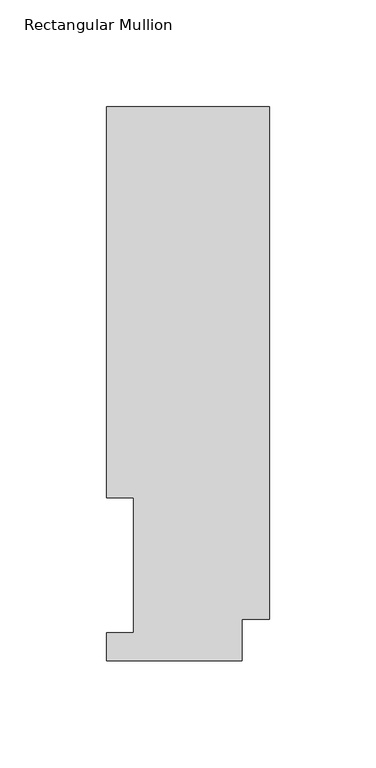
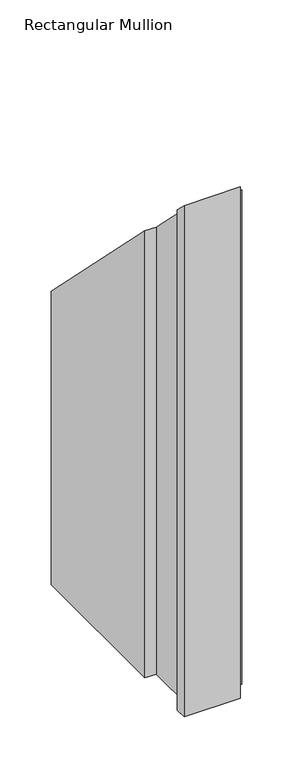
"""IFC4 building model written with IfcOpenShell, lengths in millimetres: member geometry, Rectangular Mullion."""

from ifc_helpers import new_model, si_unit, origin, place, context, project, spatial, faceted_brep, source, transform, mapped, element, save


def rectangular_mullion_7f001718(model_context):
    return source(origin(), model_context, "Body", "Brep", [
        faceted_brep([(-76.2, 76.2992188, -609.56825), (-76.2, 259.4586188, -609.56825), (0.0, 259.4586188, -609.56825), (0.0, 19.5088257, -609.56825), (-12.7, 19.5088257, -609.56825), (-12.7, -0.0333811, -609.56825), (-76.2, -0.0333811, -609.56825), (-76.2, 13.1492189, -609.56825), (-63.5, 13.1492189, -609.56825), (-63.5, 76.2992188, -609.56825), (-63.5, 76.2992188, -76.2992187), (-76.2, 76.2992188, -76.2992187), (-63.5, 13.1492189, -13.1492189), (-76.2, 13.1492189, -13.1492189), (-76.2, -0.0333811, 0.0333811), (-12.7, -0.0333811, 0.0333811), (-12.7, 19.5088257, -19.5088257), (0.0, 19.5088257, -19.5088257), (0.0, 259.4586188, -259.4586187), (-76.2, 259.4586188, -259.4586187)], [[[0, 1, 2, 3, 4, 5, 6, 7, 8, 9]], [[10, 11, 0, 9]], [[12, 10, 9, 8]], [[13, 12, 8, 7]], [[14, 13, 7, 6]], [[15, 14, 6, 5]], [[16, 15, 5, 4]], [[17, 16, 4, 3]], [[18, 17, 3, 2]], [[19, 18, 2, 1]], [[11, 19, 1, 0]], [[11, 10, 12, 13, 14, 15, 16, 17, 18, 19]]]),
    ])


if __name__ == "__main__":
    model = new_model("IFC4")
    model_context = context("Model", 3, world=origin())
    ifc_project = project(units=[si_unit("LENGTHUNIT", "METRE", prefix="MILLI")], contexts=[model_context])
    site = spatial("IfcSite", under=ifc_project)
    building = spatial("IfcBuilding", under=site)
    placement = place(None, origin())
    rectangular_mullion_shape = rectangular_mullion_7f001718(model_context)
    element("IfcMember", 1, ObjectType="Rectangular Mullion", at=placement, inside=building, context=model_context, shape_type="MappedRepresentation", body=[
        mapped(rectangular_mullion_shape, transform((0.0, 0.0, 0.0), x_axis=(1.0, 0.0, 0.0), y_axis=(0.0, 1.0, 0.0), z_axis=(0.0, 0.0, 1.0))),
    ])
    save(model, "model.ifc")
